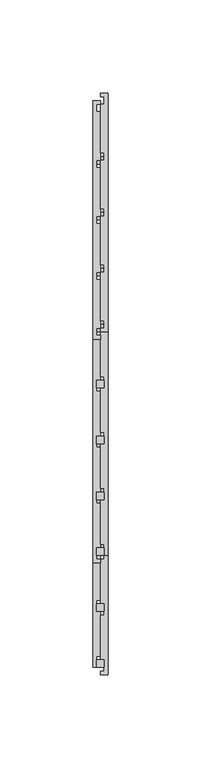
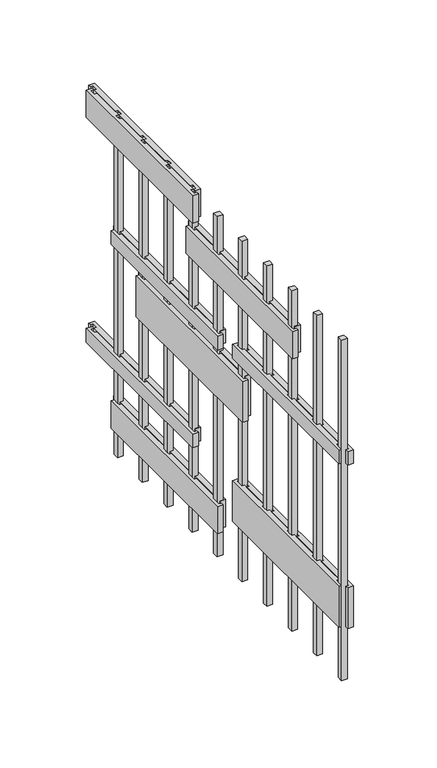
"""IFC4 building model written with IfcOpenShell, lengths in millimetres: proxy geometry."""

from ifc_helpers import new_model, si_unit, frame, origin, origin_with_axes, place, context, project, spatial, polyline, outline, extrude, source, transform, mapped, element, save


def generic_models_8ffad3ac(model_context):
    return source(origin(), model_context, "Body", "SweptSolid", [
        extrude(outline(polyline([(2.0, -242.0), (-2.0, -242.0), (-2.0, -238.0), (2.0, -238.0), (2.0, -242.0)])), origin_with_axes(), (0.0, 0.0, 1.0), 250.0),
        extrude(outline(polyline([(2.0, -272.0), (-2.0, -272.0), (-2.0, -268.0), (2.0, -268.0), (2.0, -272.0)])), origin_with_axes(), (0.0, 0.0, 1.0), 250.0),
        extrude(outline(polyline([(4.0, 36.0), (4.0, -92.0), (0.0, -92.0), (0.0, -90.0), (2.0, -90.0), (2.0, -86.0), (0.0, -86.0), (0.0, -60.0), (2.0, -60.0), (2.0, -56.0), (0.0, -56.0), (0.0, -30.0), (2.0, -30.0), (2.0, -26.0), (0.0, -26.0), (0.0, 0.0), (2.0, 0.0), (2.0, 4.0), (0.0, 4.0), (0.0, 30.0), (2.0, 30.0), (2.0, 34.0), (0.0, 34.0), (0.0, 36.0), (4.0, 36.0)])), frame((0.0, 0.0, 65.0), z_axis=(0.0, 0.0, 1.0), x_axis=(1.0, 0.0, 0.0)), (0.0, 0.0, 1.0), 10.0),
        extrude(outline(polyline([(4.0, 6.0), (4.0, -122.0), (0.0, -122.0), (0.0, -120.0), (2.0, -120.0), (2.0, -116.0), (0.0, -116.0), (0.0, -90.0), (2.0, -90.0), (2.0, -86.0), (0.0, -86.0), (0.0, -60.0), (2.0, -60.0), (2.0, -56.0), (0.0, -56.0), (0.0, -30.0), (2.0, -30.0), (2.0, -26.0), (0.0, -26.0), (0.0, 0.0), (2.0, 0.0), (2.0, 4.0), (0.0, 4.0), (0.0, 6.0), (4.0, 6.0)])), frame((0.0, 0.0, 20.0), z_axis=(0.0, 0.0, 1.0), x_axis=(1.0, 0.0, 0.0)), (0.0, 0.0, 1.0), 20.0),
        extrude(outline(polyline([(4.0, -148.0), (4.0, -276.0), (0.0, -276.0), (0.0, -274.0), (2.0, -274.0), (2.0, -270.0), (0.0, -270.0), (0.0, -244.0), (2.0, -244.0), (2.0, -240.0), (0.0, -240.0), (0.0, -214.0), (2.0, -214.0), (2.0, -210.0), (0.0, -210.0), (0.0, -184.0), (2.0, -184.0), (2.0, -180.0), (0.0, -180.0), (0.0, -154.0), (2.0, -154.0), (2.0, -150.0), (0.0, -150.0), (0.0, -148.0), (4.0, -148.0)])), frame((0.0, 0.0, 40.0), z_axis=(0.0, 0.0, 1.0), x_axis=(1.0, 0.0, 0.0)), (0.0, 0.0, 1.0), 30.0),
        extrude(outline(polyline([(4.0, -24.0), (4.0, -152.0), (0.0, -152.0), (0.0, -150.0), (2.0, -150.0), (2.0, -146.0), (0.0, -146.0), (0.0, -120.0), (2.0, -120.0), (2.0, -116.0), (0.0, -116.0), (0.0, -90.0), (2.0, -90.0), (2.0, -86.0), (0.0, -86.0), (0.0, -60.0), (2.0, -60.0), (2.0, -56.0), (0.0, -56.0), (0.0, -30.0), (2.0, -30.0), (2.0, -26.0), (0.0, -26.0), (0.0, -24.0), (4.0, -24.0)])), frame((0.0, 0.0, 120.0), z_axis=(0.0, 0.0, 1.0), x_axis=(1.0, 0.0, 0.0)), (0.0, 0.0, 1.0), 30.0),
        extrude(outline(polyline([(4.0, 6.0), (4.0, -122.0), (0.0, -122.0), (0.0, -120.0), (2.0, -120.0), (2.0, -116.0), (0.0, -116.0), (0.0, -90.0), (2.0, -90.0), (2.0, -86.0), (0.0, -86.0), (0.0, -60.0), (2.0, -60.0), (2.0, -56.0), (0.0, -56.0), (0.0, -30.0), (2.0, -30.0), (2.0, -26.0), (0.0, -26.0), (0.0, 0.0), (2.0, 0.0), (2.0, 4.0), (0.0, 4.0), (0.0, 6.0), (4.0, 6.0)])), frame((0.0, 0.0, 155.0), z_axis=(0.0, 0.0, 1.0), x_axis=(1.0, 0.0, 0.0)), (0.0, 0.0, 1.0), 10.0),
        extrude(outline(polyline([(4.0, -84.0), (4.0, -212.0), (0.0, -212.0), (0.0, -210.0), (2.0, -210.0), (2.0, -206.0), (0.0, -206.0), (0.0, -180.0), (2.0, -180.0), (2.0, -176.0), (0.0, -176.0), (0.0, -150.0), (2.0, -150.0), (2.0, -146.0), (0.0, -146.0), (0.0, -120.0), (2.0, -120.0), (2.0, -116.0), (0.0, -116.0), (0.0, -90.0), (2.0, -90.0), (2.0, -86.0), (0.0, -86.0), (0.0, -84.0), (4.0, -84.0)])), frame((0.0, 0.0, 203.0), z_axis=(0.0, 0.0, 1.0), x_axis=(1.0, 0.0, 0.0)), (0.0, 0.0, 1.0), 20.0),
        extrude(outline(polyline([(4.0, -148.0), (4.0, -276.0), (0.0, -276.0), (0.0, -274.0), (2.0, -274.0), (2.0, -270.0), (0.0, -270.0), (0.0, -244.0), (2.0, -244.0), (2.0, -240.0), (0.0, -240.0), (0.0, -214.0), (2.0, -214.0), (2.0, -210.0), (0.0, -210.0), (0.0, -184.0), (2.0, -184.0), (2.0, -180.0), (0.0, -180.0), (0.0, -154.0), (2.0, -154.0), (2.0, -150.0), (0.0, -150.0), (0.0, -148.0), (4.0, -148.0)])), frame((0.0, 0.0, 160.0), z_axis=(0.0, 0.0, 1.0), x_axis=(1.0, 0.0, 0.0)), (0.0, 0.0, 1.0), 10.0),
        extrude(outline(polyline([(4.0, 36.0), (4.0, -92.0), (0.0, -92.0), (0.0, -90.0), (2.0, -90.0), (2.0, -86.0), (0.0, -86.0), (0.0, -60.0), (2.0, -60.0), (2.0, -56.0), (0.0, -56.0), (0.0, -30.0), (2.0, -30.0), (2.0, -26.0), (0.0, -26.0), (0.0, 0.0), (2.0, 0.0), (2.0, 4.0), (0.0, 4.0), (0.0, 30.0), (2.0, 30.0), (2.0, 34.0), (0.0, 34.0), (0.0, 36.0), (4.0, 36.0)])), frame((0.0, 0.0, 230.0), z_axis=(0.0, 0.0, 1.0), x_axis=(1.0, 0.0, 0.0)), (0.0, 0.0, 1.0), 20.0),
        extrude(outline(polyline([(-4.0, -272.0), (-4.0, -144.0), (0.0, -144.0), (0.0, -146.0), (-2.0, -146.0), (-2.0, -150.0), (0.0, -150.0), (0.0, -176.0), (-2.0, -176.0), (-2.0, -180.0), (0.0, -180.0), (0.0, -206.0), (-2.0, -206.0), (-2.0, -210.0), (0.0, -210.0), (0.0, -236.0), (-2.0, -236.0), (-2.0, -240.0), (0.0, -240.0), (0.0, -266.0), (-2.0, -266.0), (-2.0, -270.0), (0.0, -270.0), (0.0, -272.0), (-4.0, -272.0)])), frame((0.0, 0.0, 160.0), z_axis=(0.0, 0.0, 1.0), x_axis=(1.0, 0.0, 0.0)), (0.0, 0.0, 1.0), 10.0),
        extrude(outline(polyline([(-4.0, -272.0), (-4.0, -144.0), (0.0, -144.0), (0.0, -146.0), (-2.0, -146.0), (-2.0, -150.0), (0.0, -150.0), (0.0, -176.0), (-2.0, -176.0), (-2.0, -180.0), (0.0, -180.0), (0.0, -206.0), (-2.0, -206.0), (-2.0, -210.0), (0.0, -210.0), (0.0, -236.0), (-2.0, -236.0), (-2.0, -240.0), (0.0, -240.0), (0.0, -266.0), (-2.0, -266.0), (-2.0, -270.0), (0.0, -270.0), (0.0, -272.0), (-4.0, -272.0)])), frame((0.0, 0.0, 40.0), z_axis=(0.0, 0.0, 1.0), x_axis=(1.0, 0.0, 0.0)), (0.0, 0.0, 1.0), 30.0),
        extrude(outline(polyline([(-4.0, -96.0), (-4.0, 32.0), (0.0, 32.0), (0.0, 30.0), (-2.0, 30.0), (-2.0, 26.0), (0.0, 26.0), (0.0, 0.0), (-2.0, 0.0), (-2.0, -4.0), (0.0, -4.0), (0.0, -30.0), (-2.0, -30.0), (-2.0, -34.0), (0.0, -34.0), (0.0, -60.0), (-2.0, -60.0), (-2.0, -64.0), (0.0, -64.0), (0.0, -90.0), (-2.0, -90.0), (-2.0, -94.0), (0.0, -94.0), (0.0, -96.0), (-4.0, -96.0)])), frame((0.0, 0.0, 230.0), z_axis=(0.0, 0.0, 1.0), x_axis=(1.0, 0.0, 0.0)), (0.0, 0.0, 1.0), 20.0),
        extrude(outline(polyline([(2.0, -212.0), (-2.0, -212.0), (-2.0, -208.0), (2.0, -208.0), (2.0, -212.0)])), origin_with_axes(), (0.0, 0.0, 1.0), 250.0),
        extrude(outline(polyline([(2.0, -182.0), (-2.0, -182.0), (-2.0, -178.0), (2.0, -178.0), (2.0, -182.0)])), origin_with_axes(), (0.0, 0.0, 1.0), 250.0),
        extrude(outline(polyline([(-4.0, -216.0), (-4.0, -88.0), (0.0, -88.0), (0.0, -90.0), (-2.0, -90.0), (-2.0, -94.0), (0.0, -94.0), (0.0, -120.0), (-2.0, -120.0), (-2.0, -124.0), (0.0, -124.0), (0.0, -150.0), (-2.0, -150.0), (-2.0, -154.0), (0.0, -154.0), (0.0, -180.0), (-2.0, -180.0), (-2.0, -184.0), (0.0, -184.0), (0.0, -210.0), (-2.0, -210.0), (-2.0, -214.0), (0.0, -214.0), (0.0, -216.0), (-4.0, -216.0)])), frame((0.0, 0.0, 203.0), z_axis=(0.0, 0.0, 1.0), x_axis=(1.0, 0.0, 0.0)), (0.0, 0.0, 1.0), 20.0),
        extrude(outline(polyline([(-4.0, -96.0), (-4.0, 32.0), (0.0, 32.0), (0.0, 30.0), (-2.0, 30.0), (-2.0, 26.0), (0.0, 26.0), (0.0, 0.0), (-2.0, 0.0), (-2.0, -4.0), (0.0, -4.0), (0.0, -30.0), (-2.0, -30.0), (-2.0, -34.0), (0.0, -34.0), (0.0, -60.0), (-2.0, -60.0), (-2.0, -64.0), (0.0, -64.0), (0.0, -90.0), (-2.0, -90.0), (-2.0, -94.0), (0.0, -94.0), (0.0, -96.0), (-4.0, -96.0)])), frame((0.0, 0.0, 65.0), z_axis=(0.0, 0.0, 1.0), x_axis=(1.0, 0.0, 0.0)), (0.0, 0.0, 1.0), 10.0),
        extrude(outline(polyline([(-4.0, -126.0), (-4.0, 2.0), (0.0, 2.0), (0.0, 0.0), (-2.0, 0.0), (-2.0, -4.0), (0.0, -4.0), (0.0, -30.0), (-2.0, -30.0), (-2.0, -34.0), (0.0, -34.0), (0.0, -60.0), (-2.0, -60.0), (-2.0, -64.0), (0.0, -64.0), (0.0, -90.0), (-2.0, -90.0), (-2.0, -94.0), (0.0, -94.0), (0.0, -120.0), (-2.0, -120.0), (-2.0, -124.0), (0.0, -124.0), (0.0, -126.0), (-4.0, -126.0)])), frame((0.0, 0.0, 20.0), z_axis=(0.0, 0.0, 1.0), x_axis=(1.0, 0.0, 0.0)), (0.0, 0.0, 1.0), 20.0),
        extrude(outline(polyline([(-4.0, -156.0), (-4.0, -28.0), (0.0, -28.0), (0.0, -30.0), (-2.0, -30.0), (-2.0, -34.0), (0.0, -34.0), (0.0, -60.0), (-2.0, -60.0), (-2.0, -64.0), (0.0, -64.0), (0.0, -90.0), (-2.0, -90.0), (-2.0, -94.0), (0.0, -94.0), (0.0, -120.0), (-2.0, -120.0), (-2.0, -124.0), (0.0, -124.0), (0.0, -150.0), (-2.0, -150.0), (-2.0, -154.0), (0.0, -154.0), (0.0, -156.0), (-4.0, -156.0)])), frame((0.0, 0.0, 120.0), z_axis=(0.0, 0.0, 1.0), x_axis=(1.0, 0.0, 0.0)), (0.0, 0.0, 1.0), 30.0),
        extrude(outline(polyline([(-4.0, -126.0), (-4.0, 2.0), (0.0, 2.0), (0.0, 0.0), (-2.0, 0.0), (-2.0, -4.0), (0.0, -4.0), (0.0, -30.0), (-2.0, -30.0), (-2.0, -34.0), (0.0, -34.0), (0.0, -60.0), (-2.0, -60.0), (-2.0, -64.0), (0.0, -64.0), (0.0, -90.0), (-2.0, -90.0), (-2.0, -94.0), (0.0, -94.0), (0.0, -120.0), (-2.0, -120.0), (-2.0, -124.0), (0.0, -124.0), (0.0, -126.0), (-4.0, -126.0)])), frame((0.0, 0.0, 155.0), z_axis=(0.0, 0.0, 1.0), x_axis=(1.0, 0.0, 0.0)), (0.0, 0.0, 1.0), 10.0),
        extrude(outline(polyline([(2.0, -148.0), (2.0, -152.0), (-2.0, -152.0), (-2.0, -148.0), (2.0, -148.0)])), origin_with_axes(), (0.0, 0.0, 1.0), 250.0),
        extrude(outline(polyline([(2.0, -118.0), (2.0, -122.0), (-2.0, -122.0), (-2.0, -118.0), (2.0, -118.0)])), origin_with_axes(), (0.0, 0.0, 1.0), 250.0),
        extrude(outline(polyline([(2.0, -88.0), (2.0, -92.0), (-2.0, -92.0), (-2.0, -88.0), (2.0, -88.0)])), origin_with_axes(), (0.0, 0.0, 1.0), 250.0),
        extrude(outline(polyline([(2.0, -58.0), (2.0, -62.0), (-2.0, -62.0), (-2.0, -58.0), (2.0, -58.0)])), origin_with_axes(), (0.0, 0.0, 1.0), 250.0),
        extrude(outline(polyline([(2.0, -28.0), (2.0, -32.0), (-2.0, -32.0), (-2.0, -28.0), (2.0, -28.0)])), origin_with_axes(), (0.0, 0.0, 1.0), 250.0),
        extrude(outline(polyline([(2.0, 2.0), (2.0, -2.0), (-2.0, -2.0), (-2.0, 2.0), (2.0, 2.0)])), origin_with_axes(), (0.0, 0.0, 1.0), 250.0),
    ])


if __name__ == "__main__":
    model = new_model("IFC4")
    model_context = context("Model", 3, world=origin())
    ifc_project = project(units=[si_unit("LENGTHUNIT", "METRE", prefix="MILLI")], contexts=[model_context])
    site = spatial("IfcSite", under=ifc_project)
    building = spatial("IfcBuilding", under=site)
    placement = place(None, origin())
    generic_models_shape = generic_models_8ffad3ac(model_context)
    element("IfcBuildingElementProxy", 1, Name="Generic Models", at=placement, inside=building, context=model_context, shape_type="MappedRepresentation", body=[
        mapped(generic_models_shape, transform((0.0, 0.0, 0.0), x_axis=(1.0, 0.0, 0.0), y_axis=(0.0, 1.0, 0.0), z_axis=(0.0, 0.0, 1.0))),
    ])
    save(model, "model.ifc")
